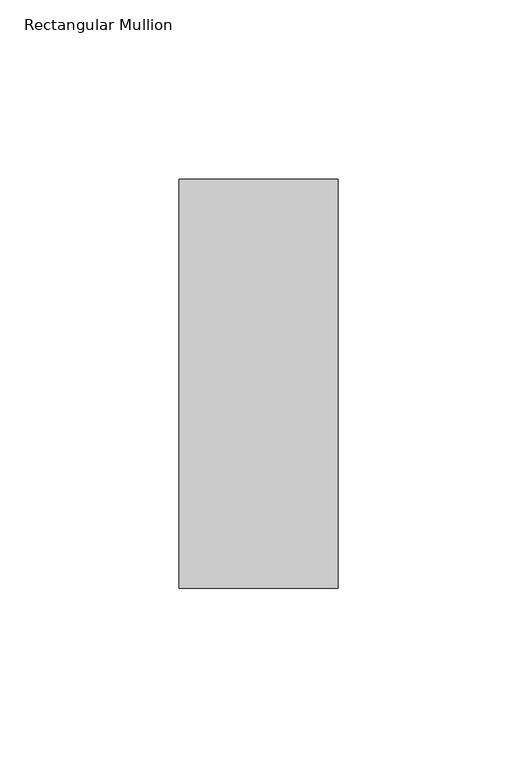
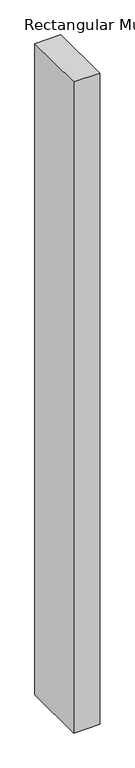
"""IFC4 building model written with IfcOpenShell, lengths in millimetres: member geometry, Rectangular Mullion."""

from ifc_helpers import new_model, si_unit, frame, origin, place, context, project, spatial, polyline, outline, extrude, source, transform, mapped, element, save


def rectangular_mullion_e302c4f3(model_context):
    return source(origin(), model_context, "Body", "SweptSolid", [
        extrude(outline(polyline([(0.0, 57.1464454), (0.0, -57.1464454), (-44.45, -57.1464454), (-44.45, 57.1464454), (0.0, 57.1464454)])), frame((0.0, 0.0, -1174.75), z_axis=(0.0, 0.0, 1.0), x_axis=(1.0, 0.0, 0.0)), (0.0, 0.0, 1.0), 1174.75),
    ])


if __name__ == "__main__":
    model = new_model("IFC4")
    model_context = context("Model", 3, world=origin())
    ifc_project = project(units=[si_unit("LENGTHUNIT", "METRE", prefix="MILLI")], contexts=[model_context])
    site = spatial("IfcSite", under=ifc_project)
    building = spatial("IfcBuilding", under=site)
    placement = place(None, origin())
    rectangular_mullion_shape = rectangular_mullion_e302c4f3(model_context)
    element("IfcMember", 1, ObjectType="Rectangular Mullion", at=placement, inside=building, context=model_context, shape_type="MappedRepresentation", body=[
        mapped(rectangular_mullion_shape, transform((0.0, 0.0, 0.0), x_axis=(1.0, 0.0, 0.0), y_axis=(0.0, 1.0, 0.0), z_axis=(0.0, 0.0, 1.0))),
    ])
    save(model, "model.ifc")
